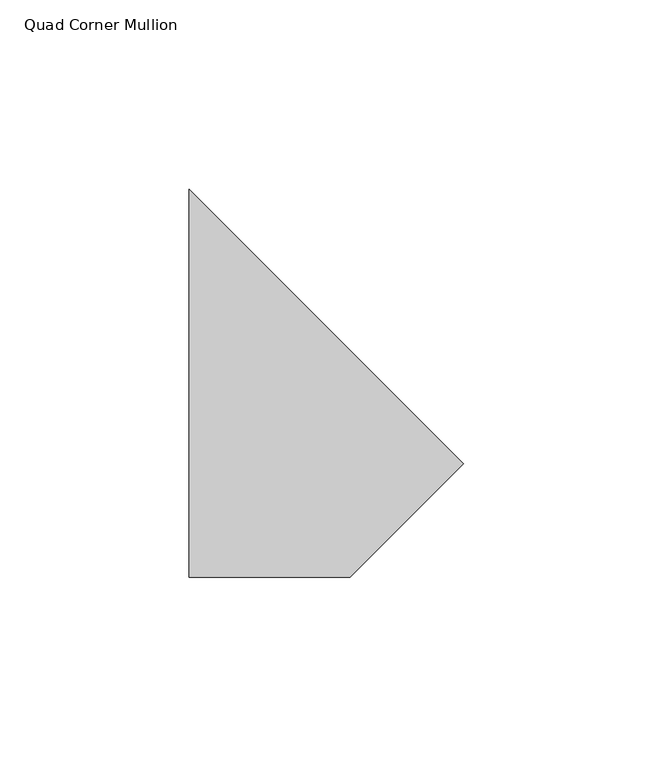
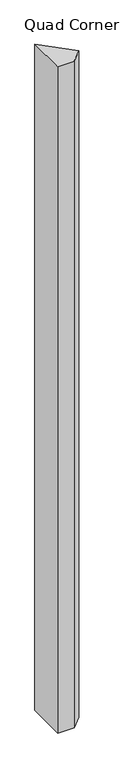
"""IFC4 building model written with IfcOpenShell, lengths in millimetres: member geometry, Quad Corner Mullion."""

from ifc_helpers import new_model, si_unit, frame, origin, place, context, project, spatial, polyline, outline, extrude, source, transform, mapped, element, save


def quad_corner_mullion_555f04e6(model_context):
    return source(origin(), model_context, "Body", "SweptSolid", [
        extrude(outline(polyline([(44.8352351, -5.7488639), (14.8157396, -35.7683594), (-27.6382381, -35.7683594), (-27.6382381, 66.7246094), (44.8352351, -5.7488639)])), frame((0.0, 0.0, -1828.8), z_axis=(0.0, 0.0, 1.0), x_axis=(1.0, 0.0, 0.0)), (0.0, 0.0, 1.0), 1828.8),
    ])


if __name__ == "__main__":
    model = new_model("IFC4")
    model_context = context("Model", 3, world=origin())
    ifc_project = project(units=[si_unit("LENGTHUNIT", "METRE", prefix="MILLI")], contexts=[model_context])
    site = spatial("IfcSite", under=ifc_project)
    building = spatial("IfcBuilding", under=site)
    placement = place(None, origin())
    quad_corner_mullion_shape = quad_corner_mullion_555f04e6(model_context)
    element("IfcMember", 1, ObjectType="Quad Corner Mullion", at=placement, inside=building, context=model_context, shape_type="MappedRepresentation", body=[
        mapped(quad_corner_mullion_shape, transform((0.0, 0.0, 0.0), x_axis=(1.0, 0.0, 0.0), y_axis=(0.0, 1.0, 0.0), z_axis=(0.0, 0.0, 1.0))),
    ])
    save(model, "model.ifc")
